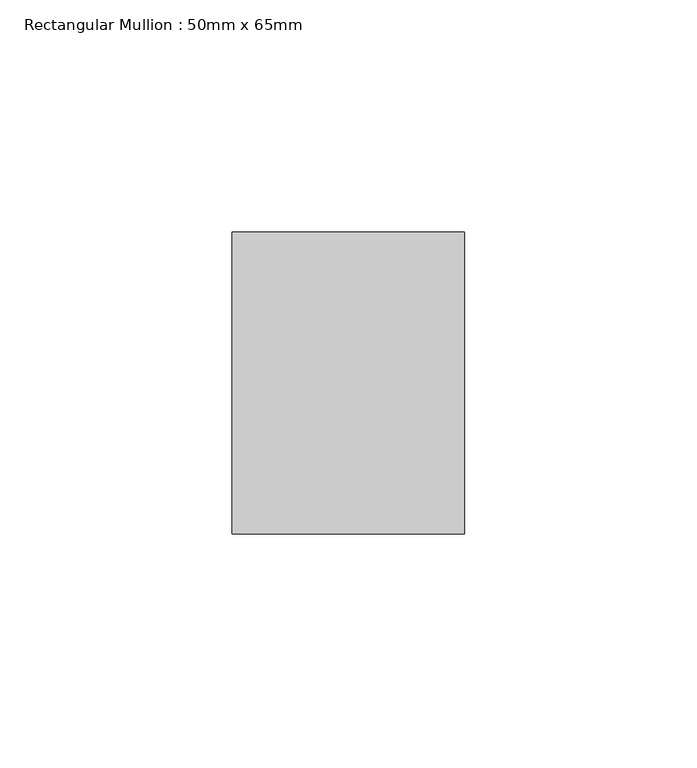
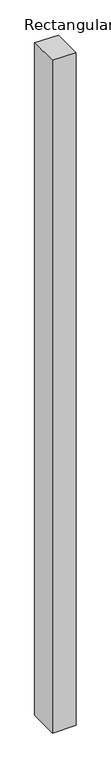
"""IFC4 building model written with IfcOpenShell, lengths in millimetres: member geometry, Rectangular Mullion : 50mm x 65mm."""

from ifc_helpers import new_model, si_unit, origin, place, context, project, spatial, faceted_brep, source, transform, mapped, element, save


def rectangular_mullion_50mm_x_65mm_26608818(model_context):
    return source(origin(), model_context, "Body", "Brep", [
        faceted_brep([(-25.0, 32.5, -0.1073307), (25.0, 32.5, -0.10733), (25.0, 32.5, -1499.9556301), (-25.0, 32.5, -1499.9556298), (-25.0, -32.5, 0.10733), (-25.0, -32.5, -1500.0443019), (25.0, -32.5, 0.1073307), (25.0, -32.5, -1500.0443021)], [[[0, 1, 2, 3]], [[4, 0, 3, 5]], [[6, 4, 5, 7]], [[1, 6, 7, 2]], [[1, 0, 4, 6]], [[2, 7, 5, 3]]]),
    ])


if __name__ == "__main__":
    model = new_model("IFC4")
    model_context = context("Model", 3, world=origin())
    ifc_project = project(units=[si_unit("LENGTHUNIT", "METRE", prefix="MILLI")], contexts=[model_context])
    site = spatial("IfcSite", under=ifc_project)
    building = spatial("IfcBuilding", under=site)
    placement = place(None, origin())
    rectangular_mullion_50mm_x_65mm_shape = rectangular_mullion_50mm_x_65mm_26608818(model_context)
    element("IfcMember", 1, ObjectType="Rectangular Mullion : 50mm x 65mm", at=placement, inside=building, context=model_context, shape_type="MappedRepresentation", body=[
        mapped(rectangular_mullion_50mm_x_65mm_shape, transform((0.0, 0.0, 0.0), x_axis=(1.0, 0.0, 0.0), y_axis=(0.0, 1.0, 0.0), z_axis=(0.0, 0.0, 1.0))),
    ])
    save(model, "model.ifc")
